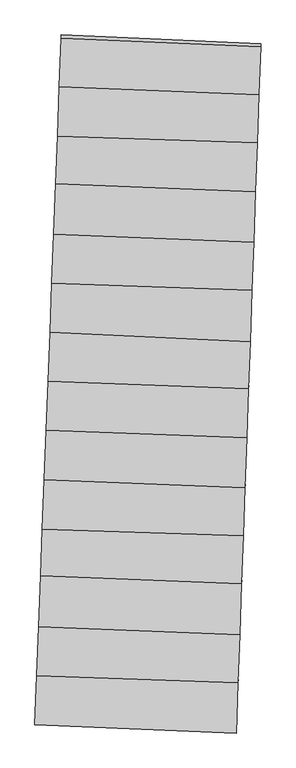
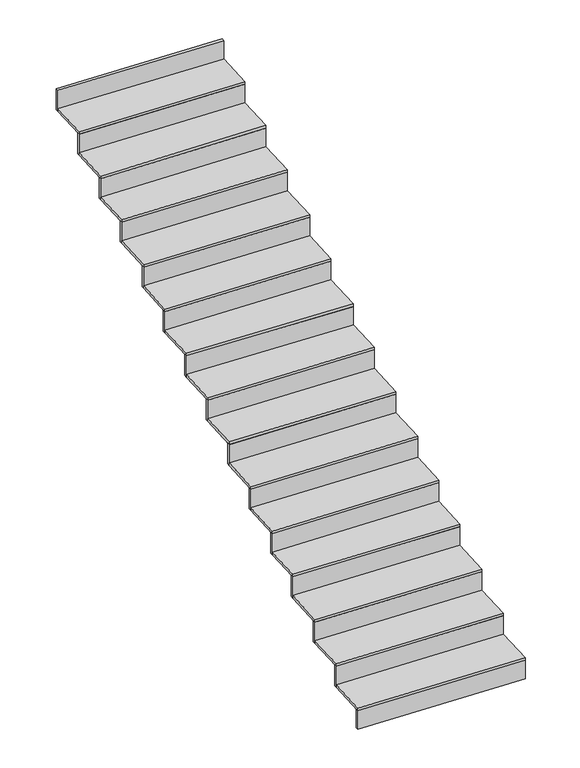
"""IFC4 building model written with IfcOpenShell, lengths in millimetres: stair flight geometry."""

from ifc_helpers import new_model, si_unit, frame, origin, place, context, project, spatial, polyline, outline, extrude, source, transform, mapped, element, save


def stair_flight_738c08e5(model_context):
    return source(origin(), model_context, "Body", "SweptSolid", [
        extrude(outline(polyline([(113381.9795687, 44781.9654127), (113381.270938, 44761.9777437), (112187.7744701, 44809.9823652), (112188.5435832, 44829.9676015), (113381.9795687, 44781.9654127)])), frame((0.0, 0.0, -2356.5), z_axis=(0.0, 0.0, 1.0), x_axis=(1.0, 0.0, 0.0)), (0.0, 0.0, 1.0), 142.1864079),
        extrude(outline(polyline([(112199.0066555, 45101.8482806), (113391.7971941, 45058.8818077), (113381.270938, 44761.9777437), (112187.7744701, 44809.9823652), (112199.0066555, 45101.8482806)])), frame((0.0, 0.0, -2214.3135921), z_axis=(0.0, 0.0, 1.0), x_axis=(1.0, 0.0, 0.0)), (0.0, 0.0, 1.0), 20.0),
        extrude(outline(polyline([(113392.5058168, 45078.8692533), (113391.7971941, 45058.8818077), (112199.0066555, 45101.8482806), (112199.7757697, 45121.8335472), (113392.5058168, 45078.8692533)])), frame((0.0, 0.0, -2214.3135921), z_axis=(0.0, 0.0, 1.0), x_axis=(1.0, 0.0, 0.0)), (0.0, 0.0, 1.0), 162.1864079),
        extrude(outline(polyline([(112210.1464619, 45391.3137499), (113401.9287327, 45344.6524559), (113391.7971941, 45058.8818077), (112199.0066555, 45101.8482806), (112210.1464619, 45391.3137499)])), frame((0.0, 0.0, -2052.1271841), z_axis=(0.0, 0.0, 1.0), x_axis=(1.0, 0.0, 0.0)), (0.0, 0.0, 1.0), 20.0),
        extrude(outline(polyline([(113402.6373602, 45364.6400347), (113401.9287327, 45344.6524559), (112210.1464619, 45391.3137499), (112210.915574, 45411.2989605), (113402.6373602, 45364.6400347)])), frame((0.0, 0.0, -2052.1271841), z_axis=(0.0, 0.0, 1.0), x_axis=(1.0, 0.0, 0.0)), (0.0, 0.0, 1.0), 162.1864079),
        extrude(outline(polyline([(112221.6831425, 45691.0919097), (113412.5581445, 45644.4661376), (113401.9287327, 45344.6524559), (112210.1464619, 45391.3137499), (112221.6831425, 45691.0919097)])), frame((0.0, 0.0, -1889.9407762), z_axis=(0.0, 0.0, 1.0), x_axis=(1.0, 0.0, 0.0)), (0.0, 0.0, 1.0), 20.0),
        extrude(outline(polyline([(113413.266772, 45664.4537164), (113412.5581445, 45644.4661376), (112221.6831425, 45691.0919097), (112222.4522546, 45711.0771203), (113413.266772, 45664.4537164)])), frame((0.0, 0.0, -1889.9407762), z_axis=(0.0, 0.0, 1.0), x_axis=(1.0, 0.0, 0.0)), (0.0, 0.0, 1.0), 162.1864079),
        extrude(outline(polyline([(112232.2990416, 45966.9437573), (113422.6270079, 45928.4689633), (113412.5581445, 45644.4661376), (112221.6831425, 45691.0919097), (112232.2990416, 45966.9437573)])), frame((0.0, 0.0, -1727.7543683), z_axis=(0.0, 0.0, 1.0), x_axis=(1.0, 0.0, 0.0)), (0.0, 0.0, 1.0), 20.0),
        extrude(outline(polyline([(113423.335634, 45948.4565034), (113422.6270079, 45928.4689633), (112232.2990416, 45966.9437573), (112233.068168, 45986.9293418), (113423.335634, 45948.4565034)])), frame((0.0, 0.0, -1727.7543683), z_axis=(0.0, 0.0, 1.0), x_axis=(1.0, 0.0, 0.0)), (0.0, 0.0, 1.0), 162.1864079),
        extrude(outline(polyline([(112243.5548579, 46259.4237203), (113432.7098223, 46212.865292), (113422.6270079, 45928.4689633), (112232.2990416, 45966.9437573), (112243.5548579, 46259.4237203)])), frame((0.0, 0.0, -1565.5679604), z_axis=(0.0, 0.0, 1.0), x_axis=(1.0, 0.0, 0.0)), (0.0, 0.0, 1.0), 20.0),
        extrude(outline(polyline([(113433.4184497, 46232.8528708), (113432.7098223, 46212.865292), (112243.5548579, 46259.4237203), (112244.32397, 46279.408931), (113433.4184497, 46232.8528708)])), frame((0.0, 0.0, -1565.5679604), z_axis=(0.0, 0.0, 1.0), x_axis=(1.0, 0.0, 0.0)), (0.0, 0.0, 1.0), 162.1864079),
        extrude(outline(polyline([(112254.8994078, 46554.2094025), (113443.1622129, 46507.6859045), (113432.7098223, 46212.865292), (112243.5548579, 46259.4237203), (112254.8994078, 46554.2094025)])), frame((0.0, 0.0, -1403.3815524), z_axis=(0.0, 0.0, 1.0), x_axis=(1.0, 0.0, 0.0)), (0.0, 0.0, 1.0), 20.0),
        extrude(outline(polyline([(113443.8708403, 46527.6734833), (113443.1622129, 46507.6859045), (112254.8994078, 46554.2094025), (112255.6685198, 46574.1946132), (113443.8708403, 46527.6734833)])), frame((0.0, 0.0, -1403.3815524), z_axis=(0.0, 0.0, 1.0), x_axis=(1.0, 0.0, 0.0)), (0.0, 0.0, 1.0), 162.1864079),
        extrude(outline(polyline([(112266.0518268, 46844.0026071), (113453.4375822, 46797.5134479), (113443.1622129, 46507.6859045), (112254.8994078, 46554.2094025), (112266.0518268, 46844.0026071)])), frame((0.0, 0.0, -1241.1951445), z_axis=(0.0, 0.0, 1.0), x_axis=(1.0, 0.0, 0.0)), (0.0, 0.0, 1.0), 20.0),
        extrude(outline(polyline([(113454.1462097, 46817.5010267), (113453.4375822, 46797.5134479), (112266.0518268, 46844.0026071), (112266.8209388, 46863.9878178), (113454.1462097, 46817.5010267)])), frame((0.0, 0.0, -1241.1951445), z_axis=(0.0, 0.0, 1.0), x_axis=(1.0, 0.0, 0.0)), (0.0, 0.0, 1.0), 162.1864079),
        extrude(outline(polyline([(112277.1670383, 47132.8289829), (113463.3606587, 47077.4042006), (113453.4375822, 46797.5134479), (112266.0518268, 46844.0026071), (112277.1670383, 47132.8289829)])), frame((0.0, 0.0, -1079.0087366), z_axis=(0.0, 0.0, 1.0), x_axis=(1.0, 0.0, 0.0)), (0.0, 0.0, 1.0), 20.0),
        extrude(outline(polyline([(113464.0693262, 47097.3929085), (113463.3606587, 47077.4042006), (112277.1670383, 47132.8289829), (112277.9361762, 47152.8148653), (113464.0693262, 47097.3929085)])), frame((0.0, 0.0, -1079.0087366), z_axis=(0.0, 0.0, 1.0), x_axis=(1.0, 0.0, 0.0)), (0.0, 0.0, 1.0), 162.1864079),
        extrude(outline(polyline([(112288.3131656, 47422.4586987), (113474.0796741, 47379.7452441), (113463.3606587, 47077.4042006), (112277.1670383, 47132.8289829), (112288.3131656, 47422.4586987)])), frame((0.0, 0.0, -916.8223286), z_axis=(0.0, 0.0, 1.0), x_axis=(1.0, 0.0, 0.0)), (0.0, 0.0, 1.0), 20.0),
        extrude(outline(polyline([(113474.7882968, 47399.7326897), (113474.0796741, 47379.7452441), (112288.3131656, 47422.4586987), (112289.0822798, 47442.4439653), (113474.7882968, 47399.7326897)])), frame((0.0, 0.0, -916.8223286), z_axis=(0.0, 0.0, 1.0), x_axis=(1.0, 0.0, 0.0)), (0.0, 0.0, 1.0), 162.1864079),
        extrude(outline(polyline([(112299.4653718, 47712.2463731), (113484.2234159, 47665.8600954), (113474.0796741, 47379.7452441), (112288.3131656, 47422.4586987), (112299.4653718, 47712.2463731)])), frame((0.0, 0.0, -754.6359207), z_axis=(0.0, 0.0, 1.0), x_axis=(1.0, 0.0, 0.0)), (0.0, 0.0, 1.0), 20.0),
        extrude(outline(polyline([(113484.9320433, 47685.8476742), (113484.2234159, 47665.8600954), (112299.4653718, 47712.2463731), (112300.2344839, 47732.2315838), (113484.9320433, 47685.8476742)])), frame((0.0, 0.0, -754.6359207), z_axis=(0.0, 0.0, 1.0), x_axis=(1.0, 0.0, 0.0)), (0.0, 0.0, 1.0), 162.1864079),
        extrude(outline(polyline([(112310.9190577, 48009.8679327), (113494.7763599, 47963.5169213), (113484.2234159, 47665.8600954), (112299.4653718, 47712.2463731), (112310.9190577, 48009.8679327)])), frame((0.0, 0.0, -592.4495128), z_axis=(0.0, 0.0, 1.0), x_axis=(1.0, 0.0, 0.0)), (0.0, 0.0, 1.0), 20.0),
        extrude(outline(polyline([(113495.4849873, 47983.5045001), (113494.7763599, 47963.5169213), (112310.9190577, 48009.8679327), (112311.6881698, 48029.8531434), (113495.4849873, 47983.5045001)])), frame((0.0, 0.0, -592.4495128), z_axis=(0.0, 0.0, 1.0), x_axis=(1.0, 0.0, 0.0)), (0.0, 0.0, 1.0), 162.1864079),
        extrude(outline(polyline([(112321.7520879, 48291.3618863), (113505.0435773, 48253.1145314), (113494.7763599, 47963.5169213), (112310.9190577, 48009.8679327), (112321.7520879, 48291.3618863)])), frame((0.0, 0.0, -430.2631049), z_axis=(0.0, 0.0, 1.0), x_axis=(1.0, 0.0, 0.0)), (0.0, 0.0, 1.0), 20.0),
        extrude(outline(polyline([(113505.7522034, 48273.1020715), (113505.0435773, 48253.1145314), (112321.7520879, 48291.3618863), (112322.5212143, 48311.3474709), (113505.7522034, 48273.1020715)])), frame((0.0, 0.0, -430.2631049), z_axis=(0.0, 0.0, 1.0), x_axis=(1.0, 0.0, 0.0)), (0.0, 0.0, 1.0), 162.1864079),
        extrude(outline(polyline([(112333.0445937, 48584.7952158), (113515.1618972, 48538.5123298), (113505.0435773, 48253.1145314), (112321.7520879, 48291.3618863), (112333.0445937, 48584.7952158)])), frame((0.0, 0.0, -268.0766969), z_axis=(0.0, 0.0, 1.0), x_axis=(1.0, 0.0, 0.0)), (0.0, 0.0, 1.0), 20.0),
        extrude(outline(polyline([(113515.8705246, 48558.4999086), (113515.1618972, 48538.5123298), (112333.0445937, 48584.7952158), (112333.8137057, 48604.7804265), (113515.8705246, 48558.4999086)])), frame((0.0, 0.0, -268.0766969), z_axis=(0.0, 0.0, 1.0), x_axis=(1.0, 0.0, 0.0)), (0.0, 0.0, 1.0), 162.1864079),
        extrude(outline(polyline([(113525.8517794, 48840.0316408), (113525.1431344, 48820.0435686), (112344.0707277, 48871.306931), (112344.8398488, 48891.2923782), (113525.8517794, 48840.0316408)])), frame((0.0, 0.0, -105.890289), z_axis=(0.0, 0.0, 1.0), x_axis=(1.0, 0.0, 0.0)), (0.0, 0.0, 1.0), 162.1864079),
        extrude(outline(polyline([(112344.0707277, 48871.306931), (113525.1431344, 48820.0435686), (113515.1618972, 48538.5123298), (112333.0445937, 48584.7952158), (112344.0707277, 48871.306931)])), frame((0.0, 0.0, -105.890289), z_axis=(0.0, 0.0, 1.0), x_axis=(1.0, 0.0, 0.0)), (0.0, 0.0, 1.0), 20.0),
    ])


if __name__ == "__main__":
    model = new_model("IFC4")
    model_context = context("Model", 3, world=origin())
    ifc_project = project(units=[si_unit("LENGTHUNIT", "METRE", prefix="MILLI")], contexts=[model_context])
    site = spatial("IfcSite", under=ifc_project)
    building = spatial("IfcBuilding", under=site)
    placement = place(None, origin())
    stair_flight_shape = stair_flight_738c08e5(model_context)
    element("IfcStairFlight", 1, at=placement, inside=building, context=model_context, shape_type="MappedRepresentation", body=[
        mapped(stair_flight_shape, transform((0.0, 0.0, 0.0), x_axis=(1.0, 0.0, 0.0), y_axis=(0.0, 1.0, 0.0), z_axis=(0.0, 0.0, 1.0))),
    ])
    save(model, "model.ifc")
